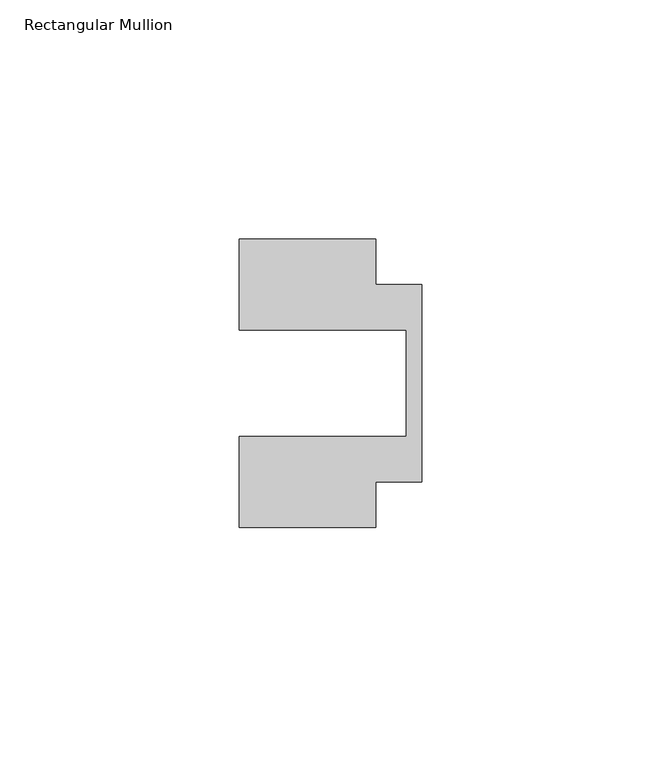
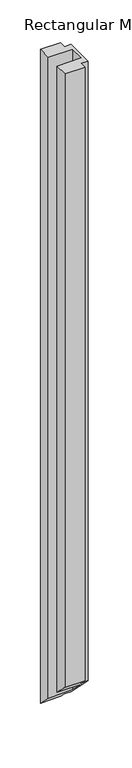
"""IFC4 building model written with IfcOpenShell, lengths in millimetres: member geometry, Rectangular Mullion."""

from ifc_helpers import new_model, si_unit, origin, place, context, project, spatial, faceted_brep, source, transform, mapped, element, save


def rectangular_mullion_32e29c3b(model_context):
    return source(origin(), model_context, "Body", "Brep", [
        faceted_brep([(-38.1, 11.1125, 0.0), (-3.175, 11.1125, 0.0), (-3.175, -11.1125, 0.0), (-38.1, -11.1125, 0.0), (-38.1, -30.1625, 0.0), (-9.525, -30.1625, 0.0), (-9.525, -20.6375, 0.0), (0.0, -20.6375, 0.0), (0.0, 20.6375, 0.0), (-9.525, 20.6375, 0.0), (-9.525, 30.1625, 0.0), (-38.1, 30.1625, 0.0), (-38.1, 11.1125, -963.6125), (-3.175, 11.1125, -963.6125), (-3.175, -11.1125, -941.3875), (-38.1, -11.1125, -941.3875), (-38.1, -30.1625, -922.3375), (-9.525, -30.1625, -922.3375), (-9.525, -20.6375, -931.8625), (0.0, -20.6375, -931.8625), (0.0, 20.6375, -973.1375), (-9.525, 20.6375, -973.1375), (-9.525, 30.1625, -982.6625), (-38.1, 30.1625, -982.6625)], [[[0, 1, 2, 3, 4, 5, 6, 7, 8, 9, 10, 11]], [[1, 0, 12, 13]], [[2, 1, 13, 14]], [[3, 2, 14, 15]], [[4, 3, 15, 16]], [[5, 4, 16, 17]], [[6, 5, 17, 18]], [[7, 6, 18, 19]], [[8, 7, 19, 20]], [[9, 8, 20, 21]], [[10, 9, 21, 22]], [[11, 10, 22, 23]], [[0, 11, 23, 12]], [[12, 23, 22, 21, 20, 19, 18, 17, 16, 15, 14, 13]]]),
    ])


if __name__ == "__main__":
    model = new_model("IFC4")
    model_context = context("Model", 3, world=origin())
    ifc_project = project(units=[si_unit("LENGTHUNIT", "METRE", prefix="MILLI")], contexts=[model_context])
    site = spatial("IfcSite", under=ifc_project)
    building = spatial("IfcBuilding", under=site)
    placement = place(None, origin())
    rectangular_mullion_shape = rectangular_mullion_32e29c3b(model_context)
    element("IfcMember", 1, ObjectType="Rectangular Mullion", at=placement, inside=building, context=model_context, shape_type="MappedRepresentation", body=[
        mapped(rectangular_mullion_shape, transform((0.0, 0.0, 0.0), x_axis=(1.0, 0.0, 0.0), y_axis=(0.0, 1.0, 0.0), z_axis=(0.0, 0.0, 1.0))),
    ])
    save(model, "model.ifc")
